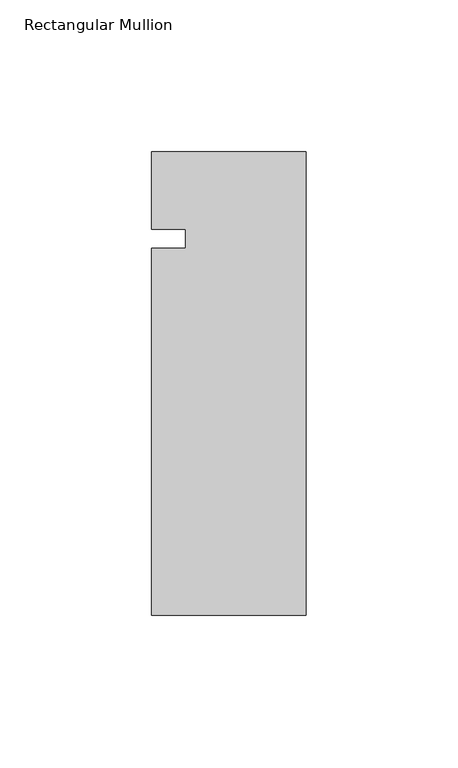
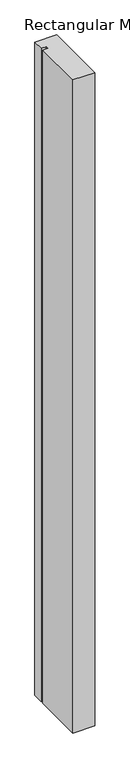
"""IFC4 building model written with IfcOpenShell, lengths in millimetres: member geometry, Rectangular Mullion."""

import ifcopenshell
import ifcopenshell.guid

model = None  # the IFC model being written
_history = None  # IfcOwnerHistory: only IFC2X3 demands one
_inside = {}  # id of a spatial element -> (the spatial element, [elements in it])
_under = {}  # id of a project, library or spatial element -> (it, [spatial elements below it])
_declared = {}  # id of a project -> (the project, [libraries it declares])
_typed = {}  # id of a type object -> (the type object, [elements of that type])
_made_of = {}  # id of a material, layer set ... -> (it, [elements and type objects made of it])


def new_model(schema):
    """Start an empty IFC model of exactly this schema.

    Asked for "IFC4X3", IfcOpenShell would pick the latest addendum, in which some entities
    have other attributes; the version numbers below select the first issue.
    IFC2X3 requires an IfcOwnerHistory on every rooted entity: one is made here for all.
    """
    global model, _history
    if schema == "IFC4X3":
        model = ifcopenshell.file(schema_version=(4, 3, 0, 0))
    else:
        model = ifcopenshell.file(schema=schema)
    _inside.clear()
    _under.clear()
    _declared.clear()
    _typed.clear()
    _made_of.clear()
    _history = None
    if model.schema == "IFC2X3":
        org = make("IfcOrganization", Name="unknown")
        user = make(
            "IfcPersonAndOrganization",
            ThePerson=make("IfcPerson", FamilyName="unknown"),
            TheOrganization=org,
        )
        app = make(
            "IfcApplication",
            ApplicationDeveloper=org,
            Version="unknown",
            ApplicationFullName="unknown",
            ApplicationIdentifier="unknown",
        )
        _history = make(
            "IfcOwnerHistory",
            OwningUser=user,
            OwningApplication=app,
            ChangeAction="ADDED",
            CreationDate=0,
        )
    return model


def make(cls, **values):
    """One entity of the class cls with the attributes given. An attribute that is None is left unset."""
    return model.create_entity(
        cls, **{name: value for name, value in values.items() if value is not None}
    )


def rooted(cls, **values):
    """An entity with a GlobalId (a new one), such as an element, a storey or a relation."""
    return make(cls, GlobalId=ifcopenshell.guid.new(), OwnerHistory=_history, **values)


def si_unit(unit_type, name, prefix=None):
    """IfcSIUnit, for example si_unit("LENGTHUNIT", "METRE", prefix="MILLI")."""
    return make("IfcSIUnit", UnitType=unit_type, Prefix=prefix, Name=name)


def assignment(units):
    """IfcUnitAssignment: the units of a project."""
    return None if units is None else make("IfcUnitAssignment", Units=units)


def point(xyz):
    """IfcCartesianPoint."""
    return None if xyz is None else make("IfcCartesianPoint", Coordinates=xyz)


def direction(xyz):
    """IfcDirection."""
    return None if xyz is None else make("IfcDirection", DirectionRatios=xyz)


def frame(location, z_axis=None, x_axis=None):
    """IfcAxis2Placement3D, a coordinate frame: its origin and axes. An axis left out is left unset."""
    return make(
        "IfcAxis2Placement3D",
        Location=point(location),
        Axis=direction(z_axis),
        RefDirection=direction(x_axis),
    )


def origin():
    """The frame at (0, 0, 0) with its axes left unset."""
    return frame((0.0, 0.0, 0.0))


def place(relative_to, where):
    """IfcLocalPlacement: puts the frame where relative to a parent placement (None: the world)."""
    return make(
        "IfcLocalPlacement", PlacementRelTo=relative_to, RelativePlacement=where
    )


def context(
    kind, dimensions, precision=None, world=None, true_north=None, identifier=None
):
    """IfcGeometricRepresentationContext, for example the 3D "Model" context."""
    return make(
        "IfcGeometricRepresentationContext",
        ContextIdentifier=identifier,
        ContextType=kind,
        CoordinateSpaceDimension=dimensions,
        Precision=precision,
        WorldCoordinateSystem=world,
        TrueNorth=true_north,
    )


def project(units=None, contexts=None):
    """IfcProject with its units and contexts."""
    return rooted(
        "IfcProject",
        Name="project",
        RepresentationContexts=contexts,
        UnitsInContext=assignment(units),
    )


def spatial(cls, under=None, at=None, **own):
    """A site, building, storey or space (cls), placed at a placement, below another one or the project."""
    s = rooted(cls, ObjectPlacement=at, **own)
    if under is not None:
        _under.setdefault(under.id(), (under, []))[1].append(s)
    return s


def polyline(points):
    """IfcPolyline through the points."""
    return make("IfcPolyline", Points=[point(p) for p in points])


def outline(outer, holes=None, kind="AREA"):
    """IfcArbitraryClosedProfileDef: a profile drawn as a closed curve; with holes, ...WithVoids."""
    if holes is None:
        return make("IfcArbitraryClosedProfileDef", ProfileType=kind, OuterCurve=outer)
    return make(
        "IfcArbitraryProfileDefWithVoids",
        ProfileType=kind,
        OuterCurve=outer,
        InnerCurves=holes,
    )


def extrude(swept, where, along, depth):
    """IfcExtrudedAreaSolid: the profile swept, set in the frame where, extruded along a direction by depth."""
    return make(
        "IfcExtrudedAreaSolid",
        SweptArea=swept,
        Position=where,
        ExtrudedDirection=direction(along),
        Depth=depth,
    )


def shape(context_of_items, identifier, shape_type, items):
    """IfcShapeRepresentation: the items that make up one representation, for example the "Body"."""
    return make(
        "IfcShapeRepresentation",
        ContextOfItems=context_of_items,
        RepresentationIdentifier=identifier,
        RepresentationType=shape_type,
        Items=items,
    )


def source(mapping_origin, context_of_items, identifier, shape_type, items):
    """IfcRepresentationMap: a shape defined once, which mapped items show again and again."""
    return make(
        "IfcRepresentationMap",
        MappingOrigin=mapping_origin,
        MappedRepresentation=shape(context_of_items, identifier, shape_type, items),
    )


def transform(
    local_origin,
    x_axis=None,
    y_axis=None,
    z_axis=None,
    scale=None,
    scale2=None,
    scale3=None,
    uniform=True,
):
    """IfcCartesianTransformationOperator3D, or its non-uniform kind. x_axis, y_axis, z_axis: its Axis1, 2, 3."""
    if uniform:
        return make(
            "IfcCartesianTransformationOperator3D",
            Axis1=direction(x_axis),
            Axis2=direction(y_axis),
            LocalOrigin=point(local_origin),
            Scale=scale,
            Axis3=direction(z_axis),
        )
    return make(
        "IfcCartesianTransformationOperator3DnonUniform",
        Axis1=direction(x_axis),
        Axis2=direction(y_axis),
        LocalOrigin=point(local_origin),
        Scale=scale,
        Axis3=direction(z_axis),
        Scale2=scale2,
        Scale3=scale3,
    )


def mapped(mapping_source, mapping_target):
    """IfcMappedItem: shows the shape of a source again, moved by a transform."""
    return make(
        "IfcMappedItem", MappingSource=mapping_source, MappingTarget=mapping_target
    )


def made_of(thing, what):
    """Note that an element or type object is made of a material, layer set ...; save() writes the relation."""
    if what is not None:
        _made_of.setdefault(what.id(), (what, []))[1].append(thing)
    return thing


def element(
    cls,
    number,
    at=None,
    inside=None,
    cuts=None,
    type_object=None,
    material=None,
    context=None,
    identifier="Body",
    shape_type=None,
    held_by="IfcProductDefinitionShape",
    body=None,
    shapes=None,
    **own,
):
    """One element of the class cls, such as IfcWall. Its Tag is "e" and its number.

    at: its placement. inside: the storey or other place that contains it. cuts: it is an
    opening in that element (IfcRelVoidsElement). A single representation is given by context,
    identifier, shape_type and body (its items); several are given by shapes. held_by: the class
    of the entity that holds the representations. save() writes the other relations.
    """
    e = rooted(cls, Tag="e%d" % number, ObjectPlacement=at, **own)
    if body is not None:
        shapes = [shape(context, identifier, shape_type, body)]
    if shapes is not None:
        e.Representation = make(held_by, Representations=shapes)
    if inside is not None:
        _inside.setdefault(inside.id(), (inside, []))[1].append(e)
    if cuts is not None:
        rooted(
            "IfcRelVoidsElement", RelatingBuildingElement=cuts, RelatedOpeningElement=e
        )
    if type_object is not None:
        _typed.setdefault(type_object.id(), (type_object, []))[1].append(e)
    return made_of(e, material)


def aggregate(whole, parts):
    """IfcRelAggregates: a whole, such as a stair, and the parts it consists of."""
    return rooted("IfcRelAggregates", RelatingObject=whole, RelatedObjects=parts)


def save(model, path):
    """Write the relations noted so far, then the file.

    IfcRelAggregates (storeys below a building ...), IfcRelContainedInSpatialStructure (elements
    in a storey), IfcRelDefinesByType, IfcRelAssociatesMaterial and IfcRelDeclares: one each for
    every whole, place, type object, material and project.
    """
    for whole, parts in _under.values():
        aggregate(whole, parts)
    for where, things in _inside.values():
        rooted(
            "IfcRelContainedInSpatialStructure",
            RelatedElements=things,
            RelatingStructure=where,
        )
    for kind, things in _typed.values():
        rooted("IfcRelDefinesByType", RelatedObjects=things, RelatingType=kind)
    for what, things in _made_of.values():
        rooted("IfcRelAssociatesMaterial", RelatedObjects=things, RelatingMaterial=what)
    for by, libraries in _declared.values():
        rooted("IfcRelDeclares", RelatingContext=by, RelatedDefinitions=libraries)
    model.write(path)


def rectangular_mullion_25923824(model_context):
    return source(origin(), model_context, "Body", "SweptSolid", [
        extrude(outline(polyline([(-50.8, -31.75), (-39.7002, -31.75), (-39.7002, -25.4), (-50.8, -25.4), (-50.8, 0.0), (0.0, 0.0), (0.0, -152.4), (-50.8, -152.4), (-50.8, -31.75)])), frame((0.0, 0.0, -1600.200584), z_axis=(0.0, 0.0, 1.0), x_axis=(1.0, 0.0, 0.0)), (0.0, 0.0, 1.0), 1600.200584),
    ])


if __name__ == "__main__":
    model = new_model("IFC4")
    model_context = context("Model", 3, world=origin())
    ifc_project = project(units=[si_unit("LENGTHUNIT", "METRE", prefix="MILLI")], contexts=[model_context])
    site = spatial("IfcSite", under=ifc_project)
    building = spatial("IfcBuilding", under=site)
    placement = place(None, origin())
    rectangular_mullion_shape = rectangular_mullion_25923824(model_context)
    element("IfcMember", 1, ObjectType="Rectangular Mullion", at=placement, inside=building, context=model_context, shape_type="MappedRepresentation", body=[
        mapped(rectangular_mullion_shape, transform((0.0, 0.0, 0.0), x_axis=(1.0, 0.0, 0.0), y_axis=(0.0, 1.0, 0.0), z_axis=(0.0, 0.0, 1.0))),
    ])
    save(model, "model.ifc")
